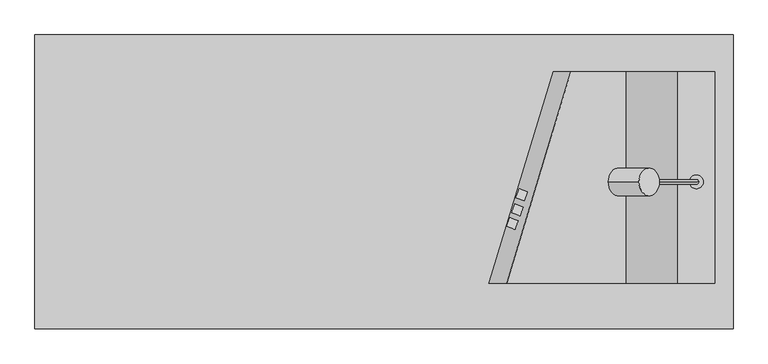
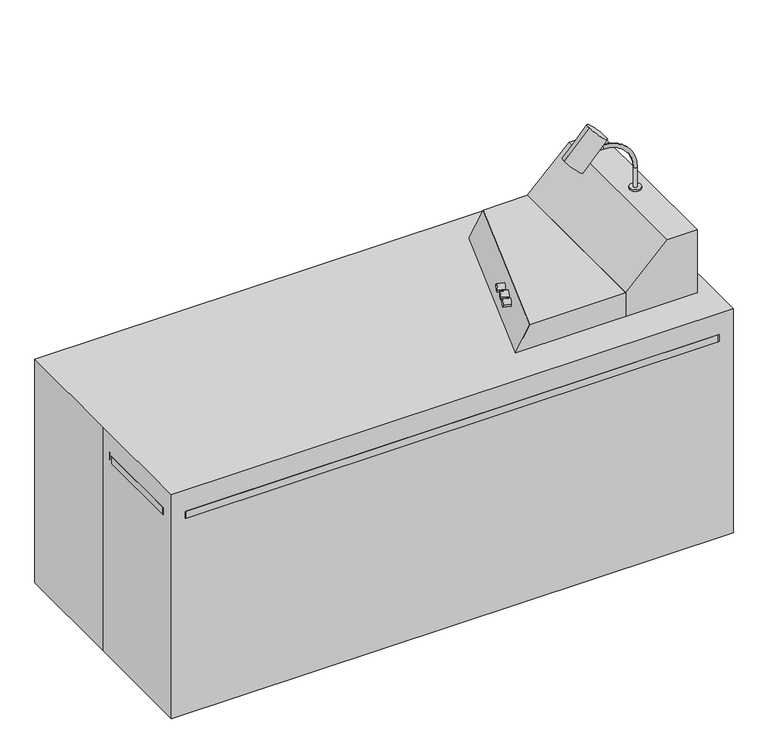
"""IFC4 building model written with IfcOpenShell, lengths in millimetres: proxy geometry."""

from ifc_helpers import new_model, si_unit, point, frame, frame_2d, origin, origin_with_axes, place, context, project, spatial, polyline, circle_curve, ellipse_curve, trimmed, segment, composite_curve, outline, extrude, faceted_brep, source, transform, mapped, element, save
from ifc_brep_helpers import plane_surface, cylinder_surface, revolved_surface, advanced_brep


def specialty_equipment_3ec532cb(model_context):
    return source(origin(), model_context, "Body", "SolidModel", [
        extrude(outline(composite_curve([segment(trimmed(circle_curve(frame_2d((0.0, 12.7)), 12.7), [point((0.0, 25.4))], [point((0.0, 0.0))], False, "CARTESIAN"), True, "CONTINUOUS"), segment(trimmed(circle_curve(frame_2d((0.0, 12.7)), 12.7), [point((0.0, 0.0))], [point((0.0, 25.4))], False, "CARTESIAN"), True, "CONTINUOUS")], self_intersect=False)), frame((387.9900205, -51.5922596, 870.7873027), z_axis=(-0.9396926207859084, 0.3420201433256687, 0.0), x_axis=(0.0, 0.0, 1.0)), (0.0, 0.0, 1.0), 24.6267902),
        extrude(outline(composite_curve([segment(trimmed(circle_curve(frame_2d((0.0, 12.7)), 12.7), [point((0.0, 25.4))], [point((0.0, 0.0))], False, "CARTESIAN"), True, "CONTINUOUS"), segment(trimmed(circle_curve(frame_2d((0.0, 12.7)), 12.7), [point((0.0, 0.0))], [point((0.0, 25.4))], False, "CARTESIAN"), True, "CONTINUOUS")], self_intersect=False)), frame((376.2375, -93.3219961, 873.9623027), z_axis=(-0.9396926207859084, 0.3420201433256687, 0.0), x_axis=(0.0, 0.0, 1.0)), (0.0, 0.0, 1.0), 24.6267902),
        extrude(outline(composite_curve([segment(trimmed(circle_curve(frame_2d((0.0, 12.7)), 12.7), [point((0.0, 25.4))], [point((0.0, 0.0))], False, "CARTESIAN"), True, "CONTINUOUS"), segment(trimmed(circle_curve(frame_2d((0.0, 12.7)), 12.7), [point((0.0, 0.0))], [point((0.0, 25.4))], False, "CARTESIAN"), True, "CONTINUOUS")], self_intersect=False)), frame((361.95, -131.4219961, 873.9623027), z_axis=(-0.9396926207859084, 0.3420201433256687, 0.0), x_axis=(0.0, 0.0, 1.0)), (0.0, 0.0, 1.0), 24.6267902),
        extrude(outline(composite_curve([segment(trimmed(circle_curve(frame_2d((0.0, 38.0999999)), 38.1), [point((0.0, 76.2))], [point((0.0, 0.0))], False, "CARTESIAN"), True, "CONTINUOUS"), segment(trimmed(circle_curve(frame_2d((0.0, 38.0999999)), 38.1), [point((0.0, 0.0))], [point((0.0, 76.2))], False, "CARTESIAN"), True, "CONTINUOUS")], self_intersect=False)), frame((676.4258014, 0.0, 1171.7525048), z_axis=(0.6750284754181788, 0.0, 0.73779167613535), x_axis=(0.0, 1.0, 0.0)), (0.0, 0.0, 1.0), 125.4125),
        advanced_brep(
        [(869.95, 0.0, 1047.75), (857.25, 0.0, 1047.75), (857.25, 0.0, 1117.6), (869.95, 0.0, 1117.6), (751.3467985, 0.0, 1223.5032015), (751.3467985, 0.0, 1236.2032015), (719.5967985, 0.0, 1236.2032015), (719.5967985, 0.0, 1223.5032015)],
        [
            (0, 1, circle_curve(frame((863.6, 0.0, 1047.75), z_axis=(0.0, 0.0, -1.0), x_axis=(-1.0, 0.0, 0.0)), 6.35)),
            (1, 0, circle_curve(frame((863.6, 0.0, 1047.75), z_axis=(0.0, 0.0, -1.0), x_axis=(-1.0, 0.0, 0.0)), 6.35)),
            (1, 2),
            (2, 3, circle_curve(frame((863.6, 0.0, 1117.6), z_axis=(0.0, 0.0, -1.0), x_axis=(-1.0, 0.0, 0.0)), 6.35)),
            (3, 0),
            (3, 2, circle_curve(frame((863.6, 0.0, 1117.6), z_axis=(0.0, 0.0, -1.0), x_axis=(-1.0, 0.0, 0.0)), 6.35)),
            (4, 5, circle_curve(frame((751.3467985, 0.0, 1229.8532015), z_axis=(1.0, 0.0, 0.0), x_axis=(0.0, 0.0, -1.0)), 6.35)),
            (5, 3, circle_curve(frame((751.3467985, 0.0, 1117.6), z_axis=(0.0, 1.0, 0.0), x_axis=(1.0, 0.0, 0.0)), 118.6032015)),
            (2, 4, circle_curve(frame((751.3467985, 0.0, 1117.6), z_axis=(0.0, -1.0, 0.0), x_axis=(1.0, 0.0, 0.0)), 105.9032015)),
            (5, 4, circle_curve(frame((751.3467985, 0.0, 1229.8532015), z_axis=(1.0, 0.0, 0.0), x_axis=(0.0, 0.0, -1.0)), 6.35)),
            (6, 7, circle_curve(frame((719.5967985, 0.0, 1229.8532015), z_axis=(-1.0, 0.0, 0.0), x_axis=(0.0, 0.0, -1.0)), 6.35)),
            (7, 6, circle_curve(frame((719.5967985, 0.0, 1229.8532015), z_axis=(-1.0, 0.0, 0.0), x_axis=(0.0, 0.0, -1.0)), 6.35)),
            (4, 7),
            (6, 5),
        ],
        [
            plane_surface(frame((863.6, 0.0, 1047.75), z_axis=(0.0, 0.0, -1.0), x_axis=(0.0, 1.0, 0.0))),
            cylinder_surface(frame((863.6, 0.0, 1047.75), z_axis=(0.0, 0.0, -1.0), x_axis=(-1.0, 0.0, 0.0)), 6.35),
            revolved_surface(trimmed(ellipse_curve(frame((863.6, 0.0, 1117.6), z_axis=(0.0, 0.0, 1.0), x_axis=(-1.0, 0.0, 0.0)), 6.35, 6.35), [point((869.95, 0.0, 1117.6))], [point((857.25, 0.0, 1117.6))], True, "CARTESIAN"), (751.3467985, 0.0, 1117.6), (0.0, 1.0, 0.0)),
            revolved_surface(trimmed(ellipse_curve(frame((863.6, 0.0, 1117.6), z_axis=(0.0, 0.0, 1.0), x_axis=(-1.0, 0.0, 0.0)), 6.35, 6.35), [point((857.25, 0.0, 1117.6))], [point((869.95, 0.0, 1117.6))], True, "CARTESIAN"), (751.3467985, 0.0, 1117.6), (0.0, 1.0, 0.0)),
            plane_surface(frame((719.5967985, 0.0, 1229.8532015), z_axis=(-1.0, 0.0, 0.0), x_axis=(0.0, 1.0, 0.0))),
            cylinder_surface(frame((751.3467985, 0.0, 1229.8532015), z_axis=(1.0, 0.0, 0.0), x_axis=(0.0, 0.0, -1.0)), 6.35),
        ],
        [
            (0, [[1, 2]]),
            (1, [[3, 4, 5, -2]]),
            (1, [[-5, 6, -3, -1]]),
            (2, [[7, 8, -4, 9]]),
            (3, [[10, -9, -6, -8]]),
            (4, [[11, 12]]),
            (5, [[13, -11, 14, -7]]),
            (5, [[-14, -12, -13, -10]]),
        ],
    ),
        extrude(outline(composite_curve([segment(trimmed(circle_curve(frame_2d((863.6, 0.0)), 19.05), [point((844.55, 0.0))], [point((882.65, 0.0))], False, "CARTESIAN"), True, "CONTINUOUS"), segment(trimmed(circle_curve(frame_2d((863.6, 0.0)), 19.05), [point((882.65, 0.0))], [point((844.55, 0.0))], False, "CARTESIAN"), True, "CONTINUOUS")], self_intersect=False)), frame((0.0, 0.0, 1041.4), z_axis=(0.0, 0.0, 1.0), x_axis=(1.0, 0.0, 0.0)), (0.0, 0.0, 1.0), 6.35),
        extrude(outline(polyline([(0.0, -50.8), (287.1040931, 330.2), (469.9, 330.2), (469.9, 311.15), (296.6020727, 311.15), (19.05, -57.1740408), (19.05, -181.9683965), (0.0, -181.9683965), (0.0, -50.8)])), frame((0.0, 0.0, 577.85), z_axis=(0.0, 0.0, 1.0), x_axis=(1.0, 0.0, 0.0)), (0.0, 0.0, 1.0), 133.35),
        extrude(outline(polyline([(469.9, -181.9683965), (-927.1, -181.9683965), (-927.1, -50.8), (0.0, -50.8), (287.1040931, 330.2), (317.5, 330.2), (469.9, 330.2), (469.9, -181.9683965)])), frame((0.0, 0.0, 558.8), z_axis=(0.0, 0.0, 1.0), x_axis=(1.0, 0.0, 0.0)), (0.0, 0.0, 1.0), 19.05),
        extrude(outline(polyline([(330.2, 63.5), (285.75, 63.5), (285.75, 0.0), (-181.9683965, 0.0), (-181.9683965, 711.2), (330.2, 711.2), (330.2, 704.85), (330.2, 63.5)])), frame((469.9, 0.0, 0.0), z_axis=(1.0, 0.0, 0.0), x_axis=(0.0, 1.0, 0.0)), (0.0, 0.0, 1.0), 19.05),
        extrude(outline(polyline([(927.1, 330.2), (469.9, 330.2), (469.9, 355.6), (927.1, 355.6), (927.1, 330.2)])), frame((0.0, 0.0, 63.5), z_axis=(0.0, 0.0, 1.0), x_axis=(1.0, 0.0, 0.0)), (0.0, 0.0, 1.0), 323.85),
        extrude(outline(polyline([(927.1, 330.2), (469.9, 330.2), (469.9, 355.6), (927.1, 355.6), (927.1, 330.2)])), frame((0.0, 0.0, 393.7), z_axis=(0.0, 0.0, 1.0), x_axis=(1.0, 0.0, 0.0)), (0.0, 0.0, 1.0), 152.4),
        extrude(outline(polyline([(927.1, 330.2), (469.9, 330.2), (469.9, 355.6), (927.1, 355.6), (927.1, 330.2)])), frame((0.0, 0.0, 552.45), z_axis=(0.0, 0.0, 1.0), x_axis=(1.0, 0.0, 0.0)), (0.0, 0.0, 1.0), 152.4),
        extrude(outline(polyline([(-181.9683965, 63.5), (-181.9683965, 82.55), (330.2, 82.55), (330.2, 63.5), (304.8, 63.5), (-181.9683965, 63.5)])), frame((469.9, 0.0, 0.0), z_axis=(1.0, 0.0, 0.0), x_axis=(0.0, 1.0, 0.0)), (0.0, 0.0, 1.0), 457.2),
        extrude(outline(polyline([(927.1, 285.75), (469.9, 285.75), (469.9, 304.8), (927.1, 304.8), (927.1, 285.75)])), origin_with_axes(), (0.0, 0.0, 1.0), 63.5),
        extrude(outline(polyline([(-355.6, 558.8), (-355.6, 711.2), (355.6, 711.2), (355.6, 0.0), (-286.9879874, 0.0), (-355.6, 558.8)])), frame((927.1, 0.0, 0.0), z_axis=(1.0, 0.0, 0.0), x_axis=(0.0, 1.0, 0.0)), (0.0, 0.0, 1.0), 19.05),
        extrude(outline(polyline([(-355.6, 558.8), (-355.6, 711.2), (-50.8, 711.2), (-50.8, 558.8), (-119.4120126, 0.0), (-286.9879874, 0.0), (-355.6, 558.8)])), frame((-946.15, 0.0, 0.0), z_axis=(1.0, 0.0, 0.0), x_axis=(0.0, 1.0, 0.0)), (0.0, 0.0, 1.0), 19.05),
        extrude(outline(polyline([(927.1, -203.2), (-927.1, -203.2), (-927.1, -181.9683965), (927.1, -181.9683965), (927.1, -203.2)])), origin_with_axes(), (0.0, 0.0, 1.0), 711.2),
        faceted_brep([(669.1159021, -279.8845694, 897.7159021), (338.9159021, -279.8845694, 897.7159021), (289.8896831, -279.8845694, 812.8), (333.8837737, -279.8845694, 736.6), (669.1159021, -279.8845694, 736.6), (669.1159021, 304.8, 897.7159021), (669.1159021, 304.8, 736.6), (511.6837737, 304.8, 736.6), (467.6896831, 304.8, 812.8), (516.7159021, 304.8, 897.7159021)], [[[0, 1, 2, 3, 4]], [[5, 6, 7, 8, 9]], [[9, 1, 0, 5]], [[8, 2, 1, 9]], [[7, 3, 2, 8]], [[6, 4, 3, 7]], [[5, 0, 4, 6]]]),
        extrude(outline(polyline([(1041.4, 914.4), (1041.4, 812.8), (897.7159021, 669.1159021), (736.6, 669.1159021), (736.6, 914.4), (1041.4, 914.4)])), frame((0.0, -279.8845694, 0.0), z_axis=(0.0, 1.0, 0.0), x_axis=(0.0, 0.0, 1.0)), (0.0, 0.0, 1.0), 584.6845694),
        extrude(outline(composite_curve([segment(polyline([(965.2, 355.6), (965.2, -355.6)]), True, "CONTINUOUS"), segment(trimmed(circle_curve(frame_2d((914.4, -355.6)), 50.8), [point((965.2, -355.6))], [point((914.4, -406.4))], False, "CARTESIAN"), True, "CONTINUOUS"), segment(polyline([(914.4, -406.4), (-914.4, -406.4)]), True, "CONTINUOUS"), segment(trimmed(circle_curve(frame_2d((-914.4, -355.6)), 50.8), [point((-914.4, -406.4))], [point((-965.2, -355.6))], False, "CARTESIAN"), True, "CONTINUOUS"), segment(polyline([(-965.2, -355.6), (-965.2, -50.8)]), True, "CONTINUOUS"), segment(trimmed(circle_curve(frame_2d((-914.4, -50.8)), 50.8), [point((-965.2, -50.8))], [point((-914.4, 0.0))], False, "CARTESIAN"), True, "CONTINUOUS"), segment(polyline([(-914.4, 0.0), (-25.4, 0.0)]), True, "CONTINUOUS"), segment(trimmed(circle_curve(frame_2d((-25.4, 50.8)), 50.8), [point((-25.4, 0.0))], [point((15.24, 20.32))], True, "CARTESIAN"), True, "CONTINUOUS"), segment(polyline([(15.24, 20.32), (289.56, 386.08)]), True, "CONTINUOUS"), segment(trimmed(circle_curve(frame_2d((330.2, 355.6)), 50.8), [point((289.56, 386.08))], [point((330.2, 406.4))], False, "CARTESIAN"), True, "CONTINUOUS"), segment(polyline([(330.2, 406.4), (914.4, 406.4)]), True, "CONTINUOUS"), segment(trimmed(circle_curve(frame_2d((914.4, 355.6)), 50.8), [point((914.4, 406.4))], [point((965.2, 355.6))], False, "CARTESIAN"), True, "CONTINUOUS")], self_intersect=False)), frame((0.0, 0.0, 711.2), z_axis=(0.0, 0.0, 1.0), x_axis=(1.0, 0.0, 0.0)), (0.0, 0.0, 1.0), 25.4),
        extrude(outline(polyline([(-965.2, -406.4), (-965.2, 0.0), (-965.2, 406.4), (965.2, 406.4), (965.2, -406.4), (-965.2, -406.4)])), origin_with_axes(), (0.0, 0.0, 1.0), 812.8),
    ])


if __name__ == "__main__":
    model = new_model("IFC4")
    model_context = context("Model", 3, world=origin())
    ifc_project = project(units=[si_unit("LENGTHUNIT", "METRE", prefix="MILLI")], contexts=[model_context])
    site = spatial("IfcSite", under=ifc_project)
    building = spatial("IfcBuilding", under=site)
    placement = place(None, origin())
    specialty_equipment_shape = specialty_equipment_3ec532cb(model_context)
    element("IfcBuildingElementProxy", 1, Name="Specialty Equipment", at=placement, inside=building, context=model_context, shape_type="MappedRepresentation", body=[
        mapped(specialty_equipment_shape, transform((0.0, 0.0, 0.0), x_axis=(1.0, 0.0, 0.0), y_axis=(0.0, 1.0, 0.0), z_axis=(0.0, 0.0, 1.0))),
    ])
    save(model, "model.ifc")
